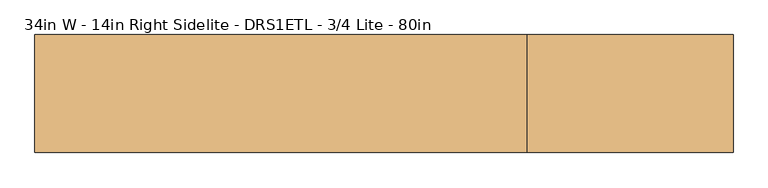
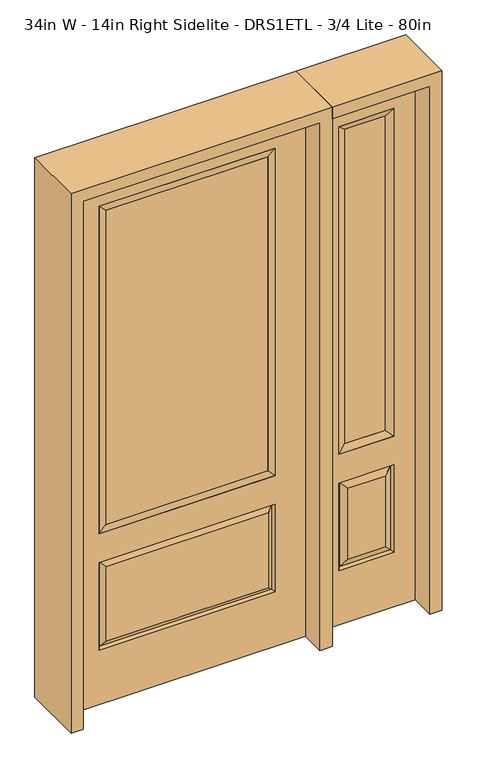
"""IFC4 building model written with IfcOpenShell, lengths in millimetres: door geometry, 34in W - 14in Right Sidelite - DRS1ETL - 3/4 Lite - 80in."""

from ifc_helpers import new_model, si_unit, frame, origin, place, context, project, spatial, polyline, outline, extrude, faceted_brep, source, transform, mapped, element, save


def door_34in_w_14in_right_sidelite_drs1etl_3_4_lite_80in_d5466b01(model_context):
    return source(origin(), model_context, "Body", "SolidModel", [
        faceted_brep([(476.25, -22.225, 0.0), (831.85, -22.225, 0.0), (831.85, -22.225, 2032.0), (476.25, -22.225, 2032.0), (754.38, -22.225, 1919.224), (754.38, -22.225, 657.098), (553.72, -22.225, 657.098), (553.72, -22.225, 1919.224), (754.38, -22.225, 209.55), (553.72, -22.225, 209.55), (553.72, -22.225, 546.1), (754.38, -22.225, 546.1), (585.4351001, -22.225, 241.2651001), (722.6648999, -22.225, 241.2651001), (722.6648999, -22.225, 514.3848999), (585.4351001, -22.225, 514.3848999), (476.25, 22.225, 0.0), (476.25, 22.225, 2032.0), (831.85, 22.225, 2032.0), (831.85, 22.225, 0.0), (754.38, 22.225, 1919.224), (553.72, 22.225, 1919.224), (553.72, 22.225, 657.098), (754.38, 22.225, 657.098), (553.72, 22.225, 209.55), (754.38, 22.225, 209.55), (754.38, 22.225, 546.1), (553.72, 22.225, 546.1), (722.6648999, 22.225, 241.2651001), (585.4351001, 22.225, 241.2651001), (585.4351001, 22.225, 514.3848999), (722.6648999, 22.225, 514.3848999), (747.2711499, 12.7912373, 216.6588501), (560.8288501, 12.7912373, 216.6588501), (560.8288501, 12.7912373, 538.9911499), (747.2711499, 12.7912373, 538.9911499), (560.8288501, -12.7912373, 216.6588501), (747.2711499, -12.7912373, 216.6588501), (560.8288501, -12.7912373, 538.9911499), (747.2711499, -12.7912373, 538.9911499)], [[[0, 1, 2, 3], [4, 5, 6, 7], [8, 9, 10, 11]], [[12, 13, 14, 15]], [[16, 17, 18, 19], [20, 21, 22, 23], [24, 25, 26, 27]], [[28, 29, 30, 31]], [[1, 0, 16, 19]], [[2, 1, 19, 18]], [[3, 2, 18, 17]], [[0, 3, 17, 16]], [[5, 4, 20, 23]], [[6, 5, 23, 22]], [[7, 6, 22, 21]], [[4, 7, 21, 20]], [[32, 33, 29, 28]], [[33, 32, 25, 24]], [[29, 33, 34, 30]], [[33, 24, 27, 34]], [[30, 34, 35, 31]], [[34, 27, 26, 35]], [[32, 28, 31, 35]], [[25, 32, 35, 26]], [[12, 36, 37, 13]], [[37, 36, 9, 8]], [[36, 12, 15, 38]], [[9, 36, 38, 10]], [[38, 15, 14, 39]], [[10, 38, 39, 11]], [[13, 37, 39, 14]], [[37, 8, 11, 39]]]),
        faceted_brep([(553.72, 22.225, 1919.224), (553.72, -22.225, 1919.224), (754.38, -22.225, 1919.224), (754.38, 22.225, 1919.224), (579.12, 12.7, 1893.824), (728.98, 12.7, 1893.824), (579.12, -12.7, 1893.824), (728.98, -12.7, 1893.824), (754.38, -22.225, 657.098), (754.38, 22.225, 657.098), (728.98, 12.7, 682.498), (728.98, -12.7, 682.498), (553.72, -22.225, 657.098), (553.72, 22.225, 657.098), (579.12, 12.7, 682.498), (579.12, -12.7, 682.498)], [[[0, 1, 2, 3]], [[4, 0, 3, 5]], [[6, 4, 5, 7]], [[1, 6, 7, 2]], [[3, 2, 8, 9]], [[5, 3, 9, 10]], [[7, 5, 10, 11]], [[2, 7, 11, 8]], [[9, 8, 12, 13]], [[10, 9, 13, 14]], [[11, 10, 14, 15]], [[8, 11, 15, 12]], [[13, 12, 1, 0]], [[14, 13, 0, 4]], [[15, 14, 4, 6]], [[12, 15, 6, 1]]]),
        extrude(outline(polyline([(728.98, -12.7), (579.12, -12.7), (579.12, 12.7), (728.98, 12.7), (728.98, -12.7)])), frame((0.0, 0.0, 682.498), z_axis=(0.0, 0.0, 1.0), x_axis=(1.0, 0.0, 0.0)), (0.0, 0.0, 1.0), 1211.326),
        faceted_brep([(-313.5661499, -12.7912373, 216.6588501), (313.5661499, -12.7912373, 216.6588501), (296.06875, -22.225, 234.15625), (-296.06875, -22.225, 234.15625), (-320.675, -22.225, 209.55), (320.675, -22.225, 209.55), (-313.5661499, -12.7912373, 538.9911499), (-320.675, -22.225, 546.1), (296.06875, -22.225, 521.49375), (-296.06875, -22.225, 521.49375), (431.8, -22.225, 2032.0), (-431.8, -22.225, 2032.0), (-431.8, -22.225, 0.0), (431.8, -22.225, 0.0), (320.675, -22.225, 546.1), (320.675, -22.225, 1917.7), (320.675, -22.225, 657.098), (-320.675, -22.225, 657.098), (-320.675, -22.225, 1917.7), (313.5661499, -12.7912373, 538.9911499), (-431.8, 22.225, 2032.0), (-431.8, 22.225, 0.0), (431.8, 22.225, 0.0), (431.8, 22.225, 2032.0), (320.675, 22.225, 1917.7), (320.675, 22.225, 657.098), (-320.675, 22.225, 657.098), (-320.675, 22.225, 1917.7), (-320.675, 22.225, 209.55), (320.675, 22.225, 209.55), (320.675, 22.225, 546.1), (-320.675, 22.225, 546.1), (296.06875, 22.225, 234.15625), (-296.06875, 22.225, 234.15625), (-296.06875, 22.225, 521.49375), (296.06875, 22.225, 521.49375), (-313.5661499, 12.7912373, 216.6588501), (313.5661499, 12.7912373, 216.6588501), (313.5661499, 12.7912373, 538.9911499), (-313.5661499, 12.7912373, 538.9911499)], [[[0, 1, 2, 3]], [[1, 0, 4, 5]], [[4, 0, 6, 7]], [[3, 2, 8, 9]], [[10, 11, 12, 13], [5, 4, 7, 14], [15, 16, 17, 18]], [[1, 5, 14, 19]], [[2, 1, 19, 8]], [[0, 3, 9, 6]], [[7, 6, 19, 14]], [[6, 9, 8, 19]], [[12, 11, 20, 21]], [[13, 12, 21, 22]], [[10, 13, 22, 23]], [[16, 15, 24, 25]], [[17, 16, 25, 26]], [[18, 17, 26, 27]], [[23, 22, 21, 20], [28, 29, 30, 31], [24, 27, 26, 25]], [[32, 33, 34, 35]], [[28, 36, 37, 29]], [[29, 37, 38, 30]], [[39, 31, 30, 38]], [[36, 28, 31, 39]], [[37, 36, 33, 32]], [[33, 36, 39, 34]], [[34, 39, 38, 35]], [[37, 32, 35, 38]], [[11, 10, 23, 20]], [[15, 18, 27, 24]]]),
        faceted_brep([(-320.675, -22.225, 1917.7), (-320.675, 22.225, 1917.7), (-320.675, 22.225, 657.098), (-320.675, -22.225, 657.098), (320.675, 22.225, 657.098), (320.675, -22.225, 657.098), (-295.275, 5.08, 682.498), (295.275, 5.08, 682.498), (320.675, 22.225, 1917.7), (320.675, -22.225, 1917.7), (-295.275, -20.32, 682.498), (295.275, -20.32, 682.498), (-295.275, -20.32, 1892.3), (295.275, -20.32, 1892.3), (-295.275, 5.08, 1892.3), (295.275, 5.08, 1892.3)], [[[0, 1, 2, 3]], [[3, 2, 4, 5]], [[2, 6, 7, 4]], [[5, 4, 8, 9]], [[10, 3, 5, 11]], [[12, 0, 3, 10]], [[11, 5, 9, 13]], [[6, 10, 11, 7]], [[14, 12, 10, 6]], [[7, 11, 13, 15]], [[1, 14, 6, 2]], [[4, 7, 15, 8]], [[9, 8, 1, 0]], [[13, 9, 0, 12]], [[15, 13, 12, 14]], [[8, 15, 14, 1]]]),
        extrude(outline(polyline([(295.275, -20.32), (-295.275, -20.32), (-295.275, 5.08), (295.275, 5.08), (295.275, -20.32)])), frame((0.0, 0.0, 682.498), z_axis=(0.0, 0.0, 1.0), x_axis=(1.0, 0.0, 0.0)), (0.0, 0.0, 1.0), 1209.802),
        extrude(outline(polyline([(2076.45, -476.25), (0.0, -476.25), (0.0, -431.8), (2032.0, -431.8), (2032.0, 431.8), (0.0, 431.8), (0.0, 476.25), (2076.45, 476.25), (2076.45, -476.25)])), frame((0.0, -114.3, 0.0), z_axis=(0.0, 1.0, 0.0), x_axis=(0.0, 0.0, 1.0)), (0.0, 0.0, 1.0), 228.6),
        extrude(outline(polyline([(0.0, 831.85), (0.0, 876.3), (2076.45, 876.3), (2076.45, 476.25), (2032.0, 476.25), (2032.0, 831.85), (0.0, 831.85)])), frame((0.0, -114.3, 0.0), z_axis=(0.0, 1.0, 0.0), x_axis=(0.0, 0.0, 1.0)), (0.0, 0.0, 1.0), 228.6),
    ])


if __name__ == "__main__":
    model = new_model("IFC4")
    model_context = context("Model", 3, world=origin())
    ifc_project = project(units=[si_unit("LENGTHUNIT", "METRE", prefix="MILLI")], contexts=[model_context])
    site = spatial("IfcSite", under=ifc_project)
    building = spatial("IfcBuilding", under=site)
    placement = place(None, origin())
    door_34in_w_14in_right_sidelite_drs1etl_3_4_lite_80in_shape = door_34in_w_14in_right_sidelite_drs1etl_3_4_lite_80in_d5466b01(model_context)
    element("IfcDoor", 1, ObjectType="34in W - 14in Right Sidelite - DRS1ETL - 3/4 Lite - 80in", at=placement, inside=building, context=model_context, shape_type="MappedRepresentation", body=[
        mapped(door_34in_w_14in_right_sidelite_drs1etl_3_4_lite_80in_shape, transform((0.0, 0.0, 0.0), x_axis=(1.0, 0.0, 0.0), y_axis=(0.0, 1.0, 0.0), z_axis=(0.0, 0.0, 1.0))),
    ])
    save(model, "model.ifc")
